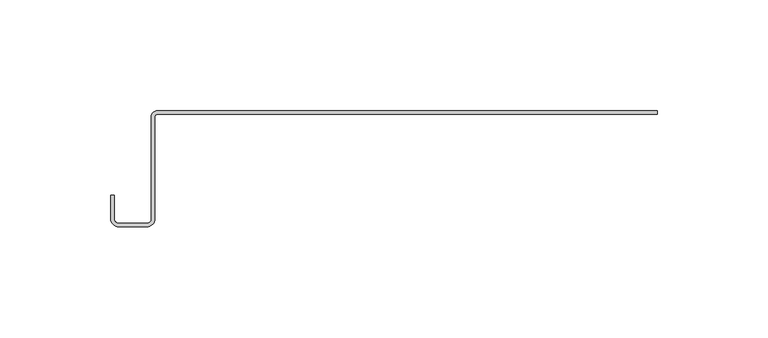
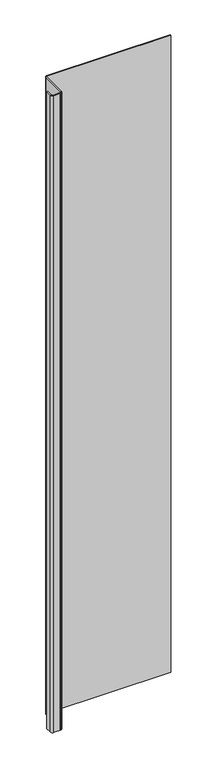
"""IFC4 building model written with IfcOpenShell, lengths in millimetres: plate geometry."""

from ifc_helpers import new_model, si_unit, point, frame_2d, origin, origin_with_axes, place, context, project, spatial, polyline, circle_curve, trimmed, segment, composite_curve, outline, extrude, source, transform, mapped, element, save


def plate_23a04585(model_context):
    return source(origin(), model_context, "Body", "SweptSolid", [
        extrude(outline(composite_curve([segment(trimmed(circle_curve(frame_2d((-115.7834285, -48.8784494)), 3.6309705), [point((-112.152458, -48.8784494))], [point((-115.7834285, -52.5094199))], False, "CARTESIAN"), True, "CONTINUOUS"), segment(polyline([(-115.7834285, -52.5094199), (-128.5112707, -52.5094199)]), True, "CONTINUOUS"), segment(trimmed(circle_curve(frame_2d((-128.5112707, -48.8784494)), 3.6309705), [point((-128.5112707, -52.5094199))], [point((-132.1422412, -48.8784494))], False, "CARTESIAN"), True, "CONTINUOUS"), segment(polyline([(-132.1422412, -48.8784494), (-132.1422412, -38.1835265), (-130.5441899, -38.1835265), (-130.5441899, -48.8784494)]), True, "CONTINUOUS"), segment(trimmed(circle_curve(frame_2d((-128.5112707, -48.8784494)), 2.0329192), [point((-130.5441899, -48.8784494))], [point((-128.5112707, -50.9113686))], True, "CARTESIAN"), True, "CONTINUOUS"), segment(polyline([(-128.5112707, -50.9113686), (-115.7834285, -50.9113686)]), True, "CONTINUOUS"), segment(trimmed(circle_curve(frame_2d((-115.7834285, -48.8784494)), 2.0329192), [point((-115.7834285, -50.9113686))], [point((-113.7505093, -48.8784494))], True, "CARTESIAN"), True, "CONTINUOUS"), segment(polyline([(-113.7505093, -48.8784494), (-113.7505093, -2.7400216)]), True, "CONTINUOUS"), segment(trimmed(circle_curve(frame_2d((-111.0104877, -2.7400216)), 2.7400216), [point((-113.7505093, -2.7400216))], [point((-111.0104877, 0.0))], False, "CARTESIAN"), True, "CONTINUOUS"), segment(polyline([(-111.0104877, 0.0), (114.9042607, 0.0), (114.9042607, -1.5980513), (-111.0104877, -1.5980513)]), True, "CONTINUOUS"), segment(trimmed(circle_curve(frame_2d((-111.0104877, -2.7400216)), 1.1419703), [point((-111.0104877, -1.5980513))], [point((-112.152458, -2.7400216))], True, "CARTESIAN"), True, "CONTINUOUS"), segment(polyline([(-112.152458, -2.7400216), (-112.152458, -48.8784494)]), True, "CONTINUOUS")], self_intersect=False)), origin_with_axes(), (0.0, 0.0, 1.0), 1228.3559792),
    ])


if __name__ == "__main__":
    model = new_model("IFC4")
    model_context = context("Model", 3, world=origin())
    ifc_project = project(units=[si_unit("LENGTHUNIT", "METRE", prefix="MILLI")], contexts=[model_context])
    site = spatial("IfcSite", under=ifc_project)
    building = spatial("IfcBuilding", under=site)
    placement = place(None, origin())
    plate_shape = plate_23a04585(model_context)
    element("IfcPlate", 1, at=placement, inside=building, context=model_context, shape_type="MappedRepresentation", body=[
        mapped(plate_shape, transform((0.0, 0.0, 0.0), x_axis=(1.0, 0.0, 0.0), y_axis=(0.0, 1.0, 0.0), z_axis=(0.0, 0.0, 1.0))),
    ])
    save(model, "model.ifc")
